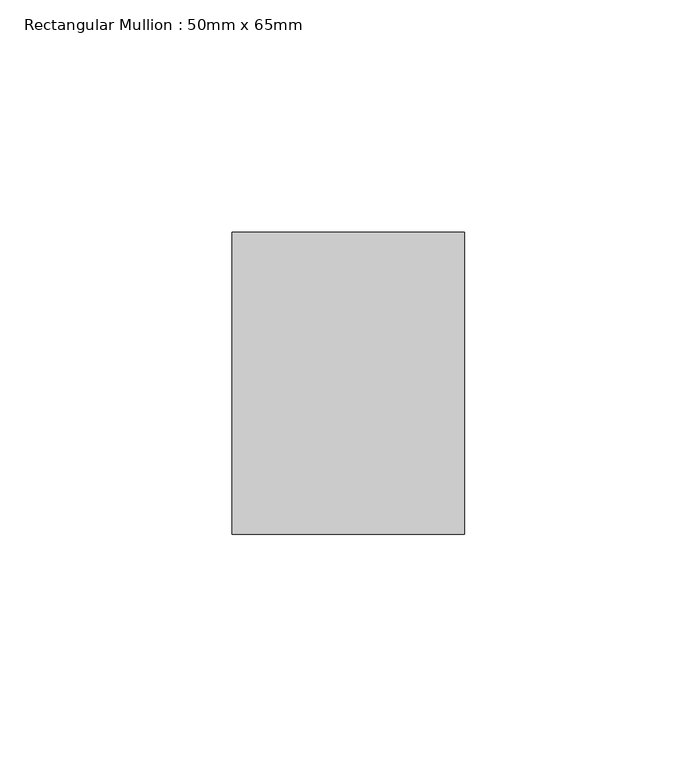
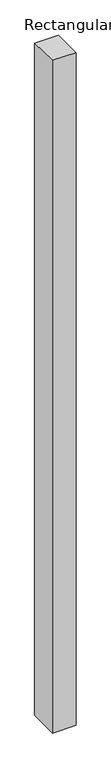
"""IFC4 building model written with IfcOpenShell, lengths in millimetres: member geometry, Rectangular Mullion : 50mm x 65mm."""

from ifc_helpers import new_model, si_unit, origin, place, context, project, spatial, faceted_brep, source, transform, mapped, element, save


def rectangular_mullion_50mm_x_65mm_c354e404(model_context):
    return source(origin(), model_context, "Body", "Brep", [
        faceted_brep([(-25.0, 32.5, -0.4966775), (25.0, 32.5, -0.4966787), (25.0, 32.5, -1499.5931188), (-25.0, 32.5, -1499.5931198), (-25.0, -32.5, 0.4966787), (-25.0, -32.5, -1500.407773), (25.0, -32.5, 0.4966775), (25.0, -32.5, -1500.407772)], [[[0, 1, 2, 3]], [[4, 0, 3, 5]], [[6, 4, 5, 7]], [[1, 6, 7, 2]], [[1, 0, 4, 6]], [[2, 7, 5, 3]]]),
    ])


if __name__ == "__main__":
    model = new_model("IFC4")
    model_context = context("Model", 3, world=origin())
    ifc_project = project(units=[si_unit("LENGTHUNIT", "METRE", prefix="MILLI")], contexts=[model_context])
    site = spatial("IfcSite", under=ifc_project)
    building = spatial("IfcBuilding", under=site)
    placement = place(None, origin())
    rectangular_mullion_50mm_x_65mm_shape = rectangular_mullion_50mm_x_65mm_c354e404(model_context)
    element("IfcMember", 1, ObjectType="Rectangular Mullion : 50mm x 65mm", at=placement, inside=building, context=model_context, shape_type="MappedRepresentation", body=[
        mapped(rectangular_mullion_50mm_x_65mm_shape, transform((0.0, 0.0, 0.0), x_axis=(1.0, 0.0, 0.0), y_axis=(0.0, 1.0, 0.0), z_axis=(0.0, 0.0, 1.0))),
    ])
    save(model, "model.ifc")
